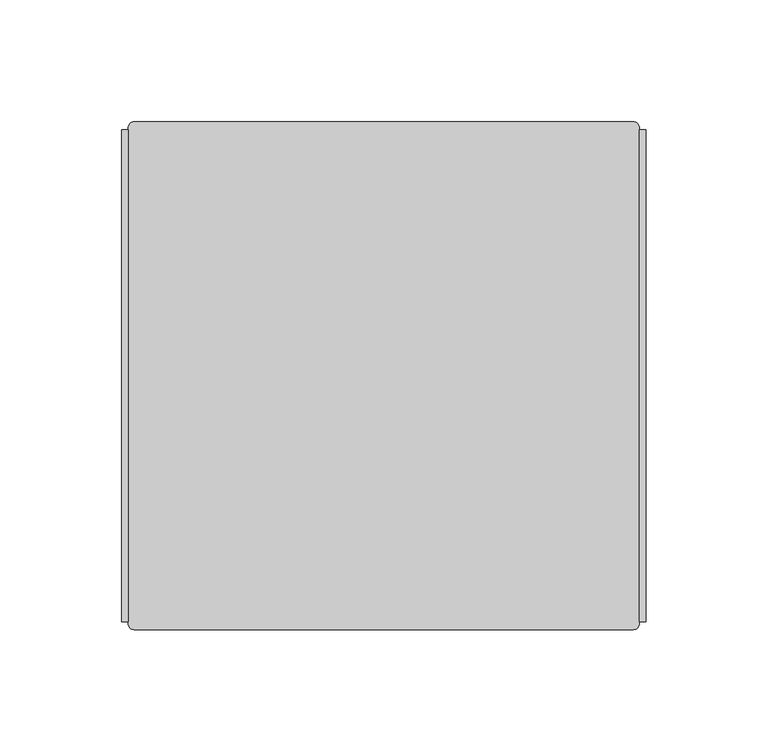
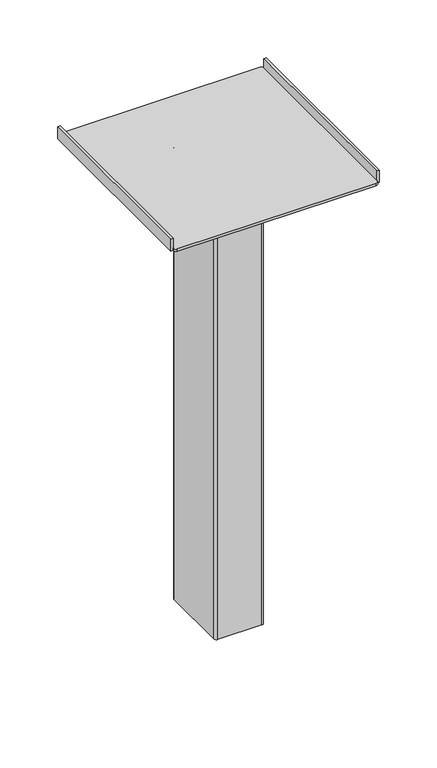
"""IFC4 building model written with IfcOpenShell, lengths in millimetres: furniture geometry."""

from ifc_helpers import new_model, si_unit, point, frame, frame_2d, origin, place, context, project, spatial, polyline, circle_curve, trimmed, segment, composite_curve, outline, extrude, source, transform, mapped, element, save
from ifc_brep_helpers import plane_surface, cylinder_surface, advanced_brep


def furniture_bb89ddf0(model_context):
    return source(origin(), model_context, "Body", "SolidModel", [
        extrude(outline(composite_curve([segment(trimmed(circle_curve(frame_2d((14.2465328, -49.3434032)), 1.27), [point((15.3463851, -48.7084032))], [point((14.2465328, -50.6134032))], False, "CARTESIAN"), True, "CONTINUOUS"), segment(polyline([(14.2465328, -50.6134032), (0.461719, -50.6134032)]), True, "CONTINUOUS"), segment(trimmed(circle_curve(frame_2d((0.461719, -49.3434032)), 1.27), [point((0.461719, -50.6134032))], [point((-0.6381332, -49.9784032))], False, "CARTESIAN"), True, "CONTINUOUS"), segment(polyline([(-0.6381332, -49.9784032), (-12.8876634, -28.7615956)]), True, "CONTINUOUS"), segment(trimmed(circle_curve(frame_2d((-11.7878111, -28.1265956)), 1.27), [point((-12.8876634, -28.7615956))], [point((-11.7878111, -26.8565956))], False, "CARTESIAN"), True, "CONTINUOUS"), segment(polyline([(-11.7878111, -26.8565956), (1.9970051, -26.8565956)]), True, "CONTINUOUS"), segment(trimmed(circle_curve(frame_2d((1.9970051, -28.1265956)), 1.27), [point((1.9970051, -26.8565956))], [point((3.0968574, -27.4915957))], False, "CARTESIAN"), True, "CONTINUOUS"), segment(polyline([(3.0968574, -27.4915957), (15.3463851, -48.7084032)]), True, "CONTINUOUS")], self_intersect=False)), frame((0.0, 0.0, 552.45), z_axis=(0.0, 0.0, 1.0), x_axis=(1.0, 0.0, 0.0)), (0.0, 0.0, 1.0), 6.3500121),
        extrude(outline(composite_curve([segment(trimmed(circle_curve(frame_2d((1.2293616, -38.7350004)), 3.9687492), [point((1.2293616, -34.7662512))], [point((1.2293616, -42.7037496))], False, "CARTESIAN"), True, "CONTINUOUS"), segment(trimmed(circle_curve(frame_2d((1.2293616, -38.7350004)), 3.9687492), [point((1.2293616, -42.7037496))], [point((1.2293616, -34.7662512))], False, "CARTESIAN"), True, "CONTINUOUS")], self_intersect=False)), frame((0.0, 0.0, 558.8000121), z_axis=(0.0, 0.0, 1.0), x_axis=(1.0, 0.0, 0.0)), (0.0, 0.0, 1.0), 3.1749879),
        advanced_brep(
        [(-101.2345342, 65.4235638, 1053.211), (103.6932504, 65.4235638, 1053.211), (106.2332504, 62.8835638, 1053.211), (106.2332504, 62.2485623, 1053.211), (108.773248, 62.2485623, 1053.211), (108.773248, -139.706834, 1053.211), (106.2332504, -139.706834, 1053.211), (106.2332504, -140.3418401, 1053.211), (103.6932504, -142.8818401, 1053.211), (-101.2345342, -142.8818401, 1053.211), (-103.7745342, -140.3418401, 1053.211), (-103.7745342, -139.706834, 1053.211), (-106.3145318, -139.706834, 1053.211), (-106.3145318, 62.2485623, 1053.211), (-103.7745342, 62.2485623, 1053.211), (-103.7745342, 62.8835638, 1053.211), (-101.2345342, 65.4235638, 1055.7510136), (-103.7745342, 62.8835638, 1055.7510136), (-103.7745342, 62.2485623, 1055.7510136), (-103.7745342, -139.706834, 1055.7510136), (-103.7745342, -140.3418401, 1055.7510136), (-101.2345342, -142.8818401, 1055.7510136), (103.6932504, -142.8818401, 1055.7510136), (106.2332504, -140.3418401, 1055.7510136), (106.2332504, -139.706834, 1055.7510136), (106.2332504, 62.2485623, 1055.7510136), (106.2332504, 62.8835638, 1055.7510136), (103.6932504, 65.4235638, 1055.7510136), (108.773248, -139.706834, 1066.4189671), (106.2332504, -139.706834, 1066.4189671), (-106.3145318, -139.706834, 1066.4189671), (-103.7745342, -139.706834, 1066.4189671), (-106.3145318, 62.2485623, 1066.4189671), (-103.7745342, 62.2485623, 1066.4189671), (106.2332504, 62.2485623, 1066.4189671), (108.773248, 62.2485623, 1066.4189671)],
        [
            (0, 1),
            (1, 2, circle_curve(frame((103.6932504, 62.8835638, 1053.211), z_axis=(0.0, 0.0, -1.0), x_axis=(0.0, -1.0, 0.0)), 2.54)),
            (2, 3),
            (3, 4),
            (4, 5),
            (5, 6),
            (6, 7),
            (7, 8, circle_curve(frame((103.6932504, -140.3418401, 1053.211), z_axis=(0.0, 0.0, -1.0), x_axis=(0.0, -1.0, 0.0)), 2.54)),
            (8, 9),
            (9, 10, circle_curve(frame((-101.2345342, -140.3418401, 1053.211), z_axis=(0.0, 0.0, -1.0), x_axis=(0.0, -1.0, 0.0)), 2.54)),
            (10, 11),
            (11, 12),
            (12, 13),
            (13, 14),
            (14, 15),
            (15, 0, circle_curve(frame((-101.2345342, 62.8835638, 1053.211), z_axis=(0.0, 0.0, -1.0), x_axis=(0.0, -1.0, 0.0)), 2.54)),
            (16, 17, circle_curve(frame((-101.2345342, 62.8835638, 1055.7510136), z_axis=(0.0, 0.0, 1.0), x_axis=(0.0, -1.0, 0.0)), 2.54)),
            (17, 18),
            (18, 19),
            (19, 20),
            (20, 21, circle_curve(frame((-101.2345342, -140.3418401, 1055.7510136), z_axis=(0.0, 0.0, 1.0), x_axis=(0.0, -1.0, 0.0)), 2.54)),
            (21, 22),
            (22, 23, circle_curve(frame((103.6932504, -140.3418401, 1055.7510136), z_axis=(0.0, 0.0, 1.0), x_axis=(0.0, -1.0, 0.0)), 2.54)),
            (23, 24),
            (24, 25),
            (25, 26),
            (26, 27, circle_curve(frame((103.6932504, 62.8835638, 1055.7510136), z_axis=(0.0, 0.0, 1.0), x_axis=(0.0, -1.0, 0.0)), 2.54)),
            (27, 16),
            (0, 16),
            (27, 1),
            (26, 2),
            (25, 3),
            (23, 7),
            (6, 24),
            (22, 8),
            (21, 9),
            (20, 10),
            (19, 11),
            (17, 15),
            (14, 18),
            (5, 28),
            (28, 29),
            (29, 24),
            (30, 12),
            (19, 31),
            (31, 30),
            (32, 33),
            (33, 18),
            (13, 32),
            (34, 35),
            (35, 4),
            (25, 34),
            (30, 32),
            (33, 31),
            (29, 34),
            (35, 28),
        ],
        [
            plane_surface(frame((103.0582534, 65.4235638, 1053.211), z_axis=(0.0, 0.0, -1.0), x_axis=(1.0, 0.0, 0.0))),
            plane_surface(frame((103.0582534, 65.4235638, 1055.7510136), z_axis=(0.0, 0.0, 1.0), x_axis=(-1.0, 0.0, 0.0))),
            plane_surface(frame((-101.2345342, 65.4235638, 1053.211), z_axis=(0.0, 1.0, 0.0), x_axis=(0.0, 0.0, 1.0))),
            cylinder_surface(frame((103.6932504, 62.8835638, 1055.7510136), z_axis=(0.0, 0.0, -1.0), x_axis=(0.0, -1.0, 0.0)), 2.54),
            plane_surface(frame((106.2332504, 62.8835638, 1053.211), z_axis=(1.0, 0.0, 0.0), x_axis=(0.0, 0.0, 1.0))),
            cylinder_surface(frame((103.6932504, -140.3418401, 1055.7510136), z_axis=(0.0, 0.0, -1.0), x_axis=(0.0, -1.0, 0.0)), 2.54),
            plane_surface(frame((103.6932504, -142.8818401, 1053.211), z_axis=(0.0, -1.0, 0.0), x_axis=(0.0, 0.0, 1.0))),
            cylinder_surface(frame((-101.2345342, -140.3418401, 1055.7510136), z_axis=(0.0, 0.0, -1.0), x_axis=(0.0, -1.0, 0.0)), 2.54),
            plane_surface(frame((-103.7745342, -140.3418401, 1053.211), z_axis=(-1.0, 0.0, 0.0), x_axis=(0.0, 0.0, 1.0))),
            cylinder_surface(frame((-101.2345342, 62.8835638, 1055.7510136), z_axis=(0.0, 0.0, -1.0), x_axis=(0.0, -1.0, 0.0)), 2.54),
            plane_surface(frame((-106.3145318, -139.706834, 1066.4189671), z_axis=(0.0, -1.0, 0.0), x_axis=(0.0, 0.0, -1.0))),
            plane_surface(frame((-106.3145318, 62.2485623, 1066.4189671), z_axis=(0.0, 1.0, 0.0), x_axis=(0.0, 0.0, 1.0))),
            plane_surface(frame((-106.3145318, -139.706834, 1066.4189671), z_axis=(-1.0, 0.0, 0.0), x_axis=(0.0, 1.0, 0.0))),
            plane_surface(frame((-103.7745342, -139.706834, 1053.211), z_axis=(1.0, 0.0, 0.0), x_axis=(0.0, 1.0, 0.0))),
            plane_surface(frame((-103.7745342, -139.706834, 1066.4189671), z_axis=(0.0, 0.0, 1.0), x_axis=(0.0, 1.0, 0.0))),
            plane_surface(frame((106.2332504, -139.706834, 1066.4189671), z_axis=(-1.0, 0.0, 0.0), x_axis=(0.0, 1.0, 0.0))),
            plane_surface(frame((108.773248, -139.706834, 1053.211), z_axis=(1.0, 0.0, 0.0), x_axis=(0.0, 1.0, 0.0))),
            plane_surface(frame((108.773248, -139.706834, 1066.4189671), z_axis=(0.0, 0.0, 1.0), x_axis=(0.0, 1.0, 0.0))),
        ],
        [
            (0, [[1, 2, 3, 4, 5, 6, 7, 8, 9, 10, 11, 12, 13, 14, 15, 16]]),
            (1, [[17, 18, 19, 20, 21, 22, 23, 24, 25, 26, 27, 28]]),
            (2, [[-1, 29, -28, 30]]),
            (3, [[-2, -30, -27, 31]]),
            (4, [[-31, -26, 32, -3]]),
            (4, [[33, -7, 34, -24]]),
            (5, [[-8, -33, -23, 35]]),
            (6, [[-9, -35, -22, 36]]),
            (7, [[-10, -36, -21, 37]]),
            (8, [[-37, -20, 38, -11]]),
            (8, [[39, -15, 40, -18]]),
            (9, [[-16, -39, -17, -29]]),
            (10, [[-6, 41, 42, 43, -34]]),
            (10, [[44, -12, -38, 45, 46]]),
            (11, [[47, 48, -40, -14, 49]]),
            (11, [[50, 51, -4, -32, 52]]),
            (12, [[-44, 53, -49, -13]]),
            (13, [[54, -45, -19, -48]]),
            (14, [[-46, -54, -47, -53]]),
            (15, [[55, -52, -25, -43]]),
            (16, [[-41, -5, -51, 56]]),
            (17, [[-42, -56, -50, -55]]),
        ],
    ),
        extrude(outline(composite_curve([segment(trimmed(circle_curve(frame_2d((-21.6306404, -3.175)), 2.54), [point((-24.1706404, -3.175))], [point((-21.6306404, -0.635))], False, "CARTESIAN"), True, "CONTINUOUS"), segment(polyline([(-21.6306404, -0.635), (24.0893611, -0.635)]), True, "CONTINUOUS"), segment(trimmed(circle_curve(frame_2d((24.0893611, -3.175)), 2.54), [point((24.0893611, -0.635))], [point((26.6293611, -3.175))], False, "CARTESIAN"), True, "CONTINUOUS"), segment(polyline([(26.6293611, -3.175), (26.6293611, -74.2949994)]), True, "CONTINUOUS"), segment(trimmed(circle_curve(frame_2d((24.0893611, -74.2949994)), 2.54), [point((26.6293611, -74.2949994))], [point((24.0893611, -76.8349994))], False, "CARTESIAN"), True, "CONTINUOUS"), segment(polyline([(24.0893611, -76.8349994), (-21.6306404, -76.8349994)]), True, "CONTINUOUS"), segment(trimmed(circle_curve(frame_2d((-21.6306404, -74.2949994)), 2.54), [point((-21.6306404, -76.8349994))], [point((-24.1706404, -74.2949994))], False, "CARTESIAN"), True, "CONTINUOUS"), segment(polyline([(-24.1706404, -74.2949994), (-24.1706404, -3.175)]), True, "CONTINUOUS")], self_intersect=False)), frame((0.0, 0.0, 561.975), z_axis=(0.0, 0.0, 1.0), x_axis=(1.0, 0.0, 0.0)), (0.0, 0.0, 1.0), 491.236),
    ])


if __name__ == "__main__":
    model = new_model("IFC4")
    model_context = context("Model", 3, world=origin())
    ifc_project = project(units=[si_unit("LENGTHUNIT", "METRE", prefix="MILLI")], contexts=[model_context])
    site = spatial("IfcSite", under=ifc_project)
    building = spatial("IfcBuilding", under=site)
    placement = place(None, origin())
    furniture_shape = furniture_bb89ddf0(model_context)
    element("IfcFurniture", 1, at=placement, inside=building, context=model_context, shape_type="MappedRepresentation", body=[
        mapped(furniture_shape, transform((0.0, 0.0, 0.0), x_axis=(1.0, 0.0, 0.0), y_axis=(0.0, 1.0, 0.0), z_axis=(0.0, 0.0, 1.0))),
    ])
    save(model, "model.ifc")
